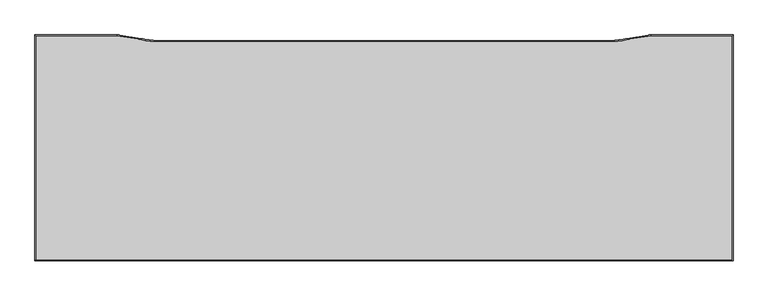
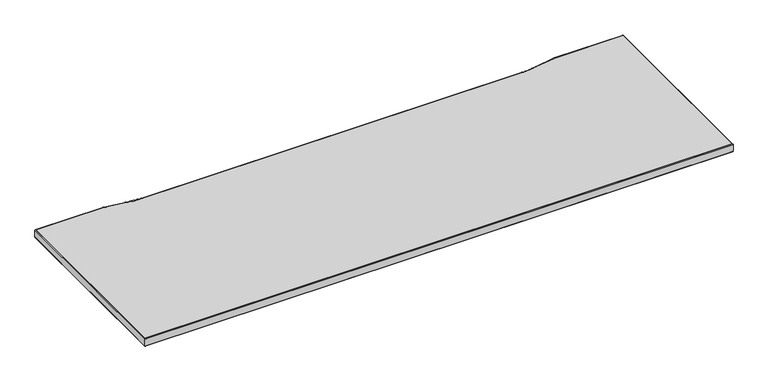
"""IFC4 building model written with IfcOpenShell, lengths in millimetres: furniture geometry."""

from ifc_helpers import new_model, si_unit, frame, origin, place, context, project, spatial, polyline, circle_curve, ellipse_curve, outline, extrude, source, transform, mapped, element, save
from ifc_brep_helpers import plane_surface, cylinder_surface, advanced_brep


def furniture_690a75ed(model_context):
    return source(origin(), model_context, "Body", "SolidModel", [
        advanced_brep(
        [(-397.0, 297.0, 723.9), (-397.0, 297.0, 698.5), (-185.0, 297.0, 698.5), (-185.0, 297.0, 723.9), (1424.1518, 297.0, 723.9), (1424.1518, 297.0, 698.5), (1424.1518, -289.8388, 698.5), (1424.1518, -289.8388, 723.9), (-397.0, -289.8388, 698.5), (-397.0, -289.8388, 723.9), (-398.6002, 298.6002, 700.1002), (-398.6002, 298.6002, 722.2998), (-184.8747968, 298.6002, 722.2998), (-184.8747968, 298.6002, 700.1002), (1425.752, 298.6002, 700.1002), (1425.752, 298.6002, 722.2998), (1425.752, -291.439, 722.2998), (1425.752, -291.439, 700.1002), (-398.6002, -291.439, 722.2998), (-398.6002, -291.439, 700.1002), (-120.4953882, 288.4637705, 722.2998), (-120.4953882, 288.4637705, 700.1002), (-109.4916017, 286.3222513, 722.2998), (-109.4916017, 286.3222513, 700.1002), (-98.5309628, 284.8095704, 722.2998), (-98.5309628, 284.8095704, 700.1002), (-87.5037923, 283.9011003, 722.2998), (-87.5037923, 283.9011003, 700.1002), (-76.4433721, 283.5995828, 722.2998), (-76.4433721, 283.5995828, 700.1002), (1103.6391279, 283.6001866, 722.2998), (1103.6391279, 283.6001866, 700.1002), (1114.7433713, 283.9059281, 722.2998), (1114.7433713, 283.9059281, 700.1002), (1125.7701443, 284.8192116, 722.2998), (1125.7701443, 284.8192116, 700.1002), (1136.7301218, 286.3366767, 722.2998), (1136.7301218, 286.3366767, 700.1002), (1147.5901026, 288.4537198, 722.2998), (1147.5901026, 288.4537198, 700.1002), (1212.0265967, 298.6002, 722.2998), (1212.0265967, 298.6002, 700.1002), (-120.7442709, 286.8830436, 698.5), (-120.7442709, 286.8830436, 723.9), (-109.7974382, 284.7515496, 698.5), (-109.7974382, 284.7515496, 723.9), (-98.7500792, 283.2244433, 698.5), (-98.7500792, 283.2244433, 723.9), (-87.6355272, 282.306332, 698.5), (-87.6355272, 282.306332, 723.9), (-76.4873279, 281.9999866, 698.5), (-76.4873279, 281.9999866, 723.9), (1103.6391279, 281.9999866, 698.5), (1103.6391279, 281.9999866, 723.9), (1114.7873272, 282.306332, 698.5), (1114.7873272, 282.306332, 723.9), (1125.9018792, 283.2244433, 698.5), (1125.9018792, 283.2244433, 723.9), (1136.9492382, 284.7515496, 698.5), (1136.9492382, 284.7515496, 723.9), (1147.8959392, 286.883018, 698.5), (1147.8959392, 286.883018, 723.9), (1212.1518, 297.0, 698.5), (1212.1518, 297.0, 723.9)],
        [
            (0, 1),
            (1, 2),
            (2, 3),
            (3, 0),
            (4, 5),
            (5, 6),
            (6, 7),
            (7, 4),
            (6, 8),
            (8, 9),
            (9, 7),
            (8, 1),
            (0, 9),
            (10, 11),
            (11, 12),
            (12, 13),
            (13, 10),
            (14, 15),
            (15, 16),
            (16, 17),
            (17, 14),
            (16, 18),
            (18, 19),
            (19, 17),
            (18, 11),
            (10, 19),
            (12, 20),
            (20, 21),
            (21, 13),
            (20, 22),
            (22, 23),
            (23, 21),
            (22, 24),
            (24, 25),
            (25, 23),
            (24, 26),
            (26, 27),
            (27, 25),
            (26, 28),
            (28, 29),
            (29, 27),
            (28, 30),
            (30, 31),
            (31, 29),
            (30, 32),
            (32, 33),
            (33, 31),
            (32, 34),
            (34, 35),
            (35, 33),
            (34, 36),
            (36, 37),
            (37, 35),
            (36, 38),
            (38, 39),
            (39, 37),
            (38, 40),
            (40, 41),
            (41, 39),
            (40, 15),
            (14, 41),
            (11, 0, ellipse_curve(frame((-397.0, 297.0, 722.2998), z_axis=(0.7071067811865475, 0.7071067811865475, 0.0), x_axis=(-0.7071067811865476, 0.7071067811865474, 0.0)), 2.2630245, 1.6002)),
            (3, 12, ellipse_curve(frame((-185.0, 297.0, 722.2998), z_axis=(-0.9969530599780059, 0.07800382170439381, 0.0), x_axis=(-0.07800382170439082, -0.9969530599780061, 0.0)), 1.6050906, 1.6002)),
            (1, 10, ellipse_curve(frame((-397.0, 297.0, 700.1002), z_axis=(0.7071067811865475, 0.7071067811865475, 0.0), x_axis=(-0.7071067811865476, 0.7071067811865474, 0.0)), 2.2630245, 1.6002)),
            (13, 2, ellipse_curve(frame((-185.0, 297.0, 700.1002), z_axis=(-0.9969530599780059, 0.07800382170439381, 0.0), x_axis=(-0.07800382170439082, -0.9969530599780061, 0.0)), 1.6050906, 1.6002)),
            (2, 42),
            (42, 43),
            (43, 3),
            (43, 20, circle_curve(frame((-120.7442709, 286.8830436, 722.2998), z_axis=(-0.9878308075990183, 0.15553229747634834, 0.0), x_axis=(-0.15553229747634834, -0.9878308075990183, 0.0)), 1.6002)),
            (21, 42, circle_curve(frame((-120.7442709, 286.8830436, 700.1002), z_axis=(-0.9878308075990183, 0.15553229747634834, 0.0), x_axis=(-0.15553229747634834, -0.9878308075990183, 0.0)), 1.6002)),
            (42, 44),
            (44, 45),
            (45, 43),
            (45, 22, circle_curve(frame((-109.7974382, 284.7515496, 722.2998), z_axis=(-0.9815659097985474, 0.19112395119751474, 0.0), x_axis=(-0.19112395119751474, -0.9815659097985474, 0.0)), 1.6002)),
            (23, 44, circle_curve(frame((-109.7974382, 284.7515496, 700.1002), z_axis=(-0.9815659097985474, 0.19112395119751474, 0.0), x_axis=(-0.19112395119751474, -0.9815659097985474, 0.0)), 1.6002)),
            (44, 46),
            (46, 47),
            (47, 45),
            (47, 24, circle_curve(frame((-98.7500792, 283.2244433, 722.2998), z_axis=(-0.9905806378079297, 0.1369306393764197, 0.0), x_axis=(-0.1369306393764197, -0.9905806378079297, 0.0)), 1.6002)),
            (25, 46, circle_curve(frame((-98.7500792, 283.2244433, 700.1002), z_axis=(-0.9905806378079297, 0.1369306393764197, 0.0), x_axis=(-0.1369306393764197, -0.9905806378079297, 0.0)), 1.6002)),
            (46, 48),
            (48, 49),
            (49, 47),
            (49, 26, circle_curve(frame((-87.6355272, 282.306332, 722.2998), z_axis=(-0.9966056147841567, 0.08232404618757087, 0.0), x_axis=(-0.08232404618757087, -0.9966056147841567, 0.0)), 1.6002)),
            (27, 48, circle_curve(frame((-87.6355272, 282.306332, 700.1002), z_axis=(-0.9966056147841567, 0.08232404618757087, 0.0), x_axis=(-0.08232404618757087, -0.9966056147841567, 0.0)), 1.6002)),
            (48, 50),
            (50, 51),
            (51, 49),
            (51, 28, circle_curve(frame((-76.4873279, 281.9999866, 722.2998), z_axis=(-0.9996226562599152, 0.027468984179824157, 0.0), x_axis=(-0.027468984179824157, -0.9996226562599152, 0.0)), 1.6002)),
            (29, 50, circle_curve(frame((-76.4873279, 281.9999866, 700.1002), z_axis=(-0.9996226562599152, 0.027468984179824157, 0.0), x_axis=(-0.027468984179824157, -0.9996226562599152, 0.0)), 1.6002)),
            (50, 52),
            (52, 53),
            (53, 51),
            (53, 30, circle_curve(frame((1103.6391279, 281.9999866, 722.2998), z_axis=(-1.0, 0.0, 0.0), x_axis=(0.0, -1.0, 0.0)), 1.6002)),
            (31, 52, circle_curve(frame((1103.6391279, 281.9999866, 700.1002), z_axis=(-1.0, 0.0, 0.0), x_axis=(0.0, -1.0, 0.0)), 1.6002)),
            (52, 54),
            (54, 55),
            (55, 53),
            (55, 32, circle_curve(frame((1114.7873272, 282.306332, 722.2998), z_axis=(-0.999622656259844, -0.02746898418241544, 0.0), x_axis=(0.02746898418241544, -0.999622656259844, 0.0)), 1.6002)),
            (33, 54, circle_curve(frame((1114.7873272, 282.306332, 700.1002), z_axis=(-0.999622656259844, -0.02746898418241544, 0.0), x_axis=(0.02746898418241544, -0.999622656259844, 0.0)), 1.6002)),
            (54, 56),
            (56, 57),
            (57, 55),
            (57, 34, circle_curve(frame((1125.9018792, 283.2244433, 722.2998), z_axis=(-0.9966056147841568, -0.08232404618756908, 0.0), x_axis=(0.08232404618756908, -0.9966056147841568, 0.0)), 1.6002)),
            (35, 56, circle_curve(frame((1125.9018792, 283.2244433, 700.1002), z_axis=(-0.9966056147841568, -0.08232404618756908, 0.0), x_axis=(0.08232404618756908, -0.9966056147841568, 0.0)), 1.6002)),
            (56, 58),
            (58, 59),
            (59, 57),
            (59, 36, circle_curve(frame((1136.9492382, 284.7515496, 722.2998), z_axis=(-0.9905806378079125, -0.13693063937654498, 0.0), x_axis=(0.13693063937654498, -0.9905806378079125, 0.0)), 1.6002)),
            (37, 58, circle_curve(frame((1136.9492382, 284.7515496, 700.1002), z_axis=(-0.9905806378079125, -0.13693063937654498, 0.0), x_axis=(0.13693063937654498, -0.9905806378079125, 0.0)), 1.6002)),
            (58, 60),
            (60, 61),
            (61, 59),
            (61, 38, circle_curve(frame((1147.8959392, 286.883018, 722.2998), z_axis=(-0.9815659097983596, -0.1911239511984802, 0.0), x_axis=(0.1911239511984802, -0.9815659097983596, 0.0)), 1.6002)),
            (39, 60, circle_curve(frame((1147.8959392, 286.883018, 700.1002), z_axis=(-0.9815659097983596, -0.1911239511984802, 0.0), x_axis=(0.1911239511984802, -0.9815659097983596, 0.0)), 1.6002)),
            (60, 62),
            (62, 63),
            (63, 61),
            (63, 40, ellipse_curve(frame((1212.1518, 297.0, 722.2998), z_axis=(-0.9969530570698523, -0.07800385887298066, 0.0), x_axis=(0.07800385887298084, -0.9969530570698523, 0.0)), 1.6050906, 1.6002)),
            (41, 62, ellipse_curve(frame((1212.1518, 297.0, 700.1002), z_axis=(-0.9969530570698523, -0.07800385887298066, 0.0), x_axis=(0.07800385887298084, -0.9969530570698523, 0.0)), 1.6050906, 1.6002)),
            (62, 5),
            (4, 63),
            (4, 15, ellipse_curve(frame((1424.1518, 297.0, 722.2998), z_axis=(-0.7071067811865475, 0.7071067811865475, 0.0), x_axis=(-0.7071067811865476, -0.7071067811865474, 0.0)), 2.2630245, 1.6002)),
            (14, 5, ellipse_curve(frame((1424.1518, 297.0, 700.1002), z_axis=(-0.7071067811865475, 0.7071067811865475, 0.0), x_axis=(-0.7071067811865476, -0.7071067811865474, 0.0)), 2.2630245, 1.6002)),
            (7, 16, ellipse_curve(frame((1424.1518, -289.8388, 722.2998), z_axis=(0.7071067811865475, 0.7071067811865475, 0.0), x_axis=(-0.7071067811865474, 0.7071067811865476, 0.0)), 2.2630245, 1.6002)),
            (17, 6, ellipse_curve(frame((1424.1518, -289.8388, 700.1002), z_axis=(0.7071067811865475, 0.7071067811865475, 0.0), x_axis=(-0.7071067811865474, 0.7071067811865476, 0.0)), 2.2630245, 1.6002)),
            (9, 18, ellipse_curve(frame((-397.0, -289.8388, 722.2998), z_axis=(0.7071067811865475, -0.7071067811865475, 0.0), x_axis=(0.7071067811865477, 0.7071067811865474, 0.0)), 2.2630245, 1.6002)),
            (19, 8, ellipse_curve(frame((-397.0, -289.8388, 700.1002), z_axis=(0.7071067811865475, -0.7071067811865475, 0.0), x_axis=(0.7071067811865476, 0.7071067811865474, 0.0)), 2.2630245, 1.6002)),
        ],
        [
            plane_surface(frame((-397.0, 297.0, 698.5), z_axis=(0.0, -1.0, 0.0), x_axis=(1.0, 0.0, 0.0))),
            plane_surface(frame((1424.1518, 297.0, 698.5), z_axis=(-1.0, 0.0, 0.0), x_axis=(0.0, -1.0, 0.0))),
            plane_surface(frame((1424.1518, -289.8388, 698.5), z_axis=(0.0, 1.0, 0.0), x_axis=(-1.0, 0.0, 0.0))),
            plane_surface(frame((-397.0, -289.8388, 698.5), z_axis=(1.0, 0.0, 0.0), x_axis=(0.0, 1.0, 0.0))),
            plane_surface(frame((-398.6002, 298.6002, 722.2998), z_axis=(0.0, 1.0, 0.0), x_axis=(1.0, 0.0, 0.0))),
            plane_surface(frame((1425.752, 298.6002, 722.2998), z_axis=(1.0, 0.0, 0.0), x_axis=(0.0, -1.0, 0.0))),
            plane_surface(frame((1425.752, -291.439, 722.2998), z_axis=(0.0, -1.0, 0.0), x_axis=(-1.0, 0.0, 0.0))),
            plane_surface(frame((-398.6002, -291.439, 722.2998), z_axis=(-1.0, 0.0, 0.0), x_axis=(0.0, 1.0, 0.0))),
            plane_surface(frame((-184.8747968, 298.6002, 722.2998), z_axis=(0.15553229747634836, 0.9878308075990183, 0.0), x_axis=(0.9878308075990183, -0.15553229747634836, 0.0))),
            plane_surface(frame((-120.4952255, 288.4648034, 722.2998), z_axis=(0.1911239511975167, 0.981565909798547, 0.0), x_axis=(0.981565909798547, -0.1911239511975167, 0.0))),
            plane_surface(frame((-109.4911395, 286.3246253, 722.2998), z_axis=(0.13693063937642, 0.9905806378079298, 0.0), x_axis=(0.9905806378079298, -0.13693063937642, 0.0))),
            plane_surface(frame((-98.5306316, 284.8119661, 722.2998), z_axis=(0.08232404618757205, 0.9966056147841565, 0.0), x_axis=(0.9966056147841565, -0.08232404618757205, 0.0))),
            plane_surface(frame((-87.5035932, 283.9035105, 722.2998), z_axis=(0.027468984179823012, 0.9996226562599153, 0.0), x_axis=(0.9996226562599153, -0.027468984179823012, 0.0))),
            plane_surface(frame((-76.4433555, 283.6001866, 722.2998), z_axis=(0.0, 1.0, 0.0), x_axis=(1.0, 0.0, 0.0))),
            plane_surface(frame((1103.6391279, 283.6007907, 722.2998), z_axis=(-0.027468984182415966, 0.999622656259844, 0.0), x_axis=(0.999622656259844, 0.027468984182415966, 0.0))),
            plane_surface(frame((1114.7433049, 283.9083457, 722.2998), z_axis=(-0.08232404618756704, 0.996605614784157, 0.0), x_axis=(0.996605614784157, 0.08232404618756704, 0.0))),
            plane_surface(frame((1125.7699452, 284.8216219, 722.2998), z_axis=(-0.13693063937654337, 0.9905806378079127, 0.0), x_axis=(0.9905806378079127, 0.13693063937654337, 0.0))),
            plane_surface(frame((1136.7297907, 286.3390724, 722.2998), z_axis=(-0.19112395119847891, 0.9815659097983597, 0.0), x_axis=(0.9815659097983597, 0.19112395119847891, 0.0))),
            plane_surface(frame((1147.5899028, 288.4547461, 722.2998), z_axis=(-0.15553237113332666, 0.9878307960018483, 0.0), x_axis=(0.9878307960018483, 0.15553237113332666, 0.0))),
            plane_surface(frame((1212.0265967, 298.6002, 722.2998), z_axis=(0.0, 1.0, 0.0), x_axis=(1.0, 0.0, 0.0))),
            cylinder_surface(frame((-397.0, 297.0, 722.2998), z_axis=(-1.0, 0.0, 0.0), x_axis=(0.0, -1.0, 0.0)), 1.6002),
            cylinder_surface(frame((-397.0, 297.0, 700.1002), z_axis=(-1.0, 0.0, 0.0), x_axis=(0.0, -1.0, 0.0)), 1.6002),
            plane_surface(frame((-185.0, 297.0, 698.5), z_axis=(-0.15553229747634817, -0.9878308075990183, 0.0), x_axis=(0.9878308075990183, -0.15553229747634817, 0.0))),
            cylinder_surface(frame((-185.0, 297.0, 722.2998), z_axis=(-0.9878308075990183, 0.15553229747634834, 0.0), x_axis=(-0.15553229747634834, -0.9878308075990183, 0.0)), 1.6002),
            cylinder_surface(frame((-185.0, 297.0, 700.1002), z_axis=(-0.9878308075990183, 0.15553229747634834, 0.0), x_axis=(-0.15553229747634834, -0.9878308075990183, 0.0)), 1.6002),
            plane_surface(frame((-120.7442709, 286.8830436, 698.5), z_axis=(-0.19112395119751413, -0.9815659097985475, 0.0), x_axis=(0.9815659097985475, -0.19112395119751413, 0.0))),
            cylinder_surface(frame((-120.7442709, 286.8830436, 722.2998), z_axis=(-0.9815659097985474, 0.19112395119751474, 0.0), x_axis=(-0.19112395119751474, -0.9815659097985474, 0.0)), 1.6002),
            cylinder_surface(frame((-120.7442709, 286.8830436, 700.1002), z_axis=(-0.9815659097985474, 0.19112395119751474, 0.0), x_axis=(-0.19112395119751474, -0.9815659097985474, 0.0)), 1.6002),
            plane_surface(frame((-109.7974382, 284.7515496, 698.5), z_axis=(-0.13693063937642036, -0.9905806378079297, 0.0), x_axis=(0.9905806378079297, -0.13693063937642036, 0.0))),
            cylinder_surface(frame((-109.7974382, 284.7515496, 722.2998), z_axis=(-0.9905806378079297, 0.1369306393764197, 0.0), x_axis=(-0.1369306393764197, -0.9905806378079297, 0.0)), 1.6002),
            cylinder_surface(frame((-109.7974382, 284.7515496, 700.1002), z_axis=(-0.9905806378079297, 0.1369306393764197, 0.0), x_axis=(-0.1369306393764197, -0.9905806378079297, 0.0)), 1.6002),
            plane_surface(frame((-98.7500792, 283.2244433, 698.5), z_axis=(-0.08232404618757161, -0.9966056147841565, 0.0), x_axis=(0.9966056147841565, -0.08232404618757161, 0.0))),
            cylinder_surface(frame((-98.7500792, 283.2244433, 722.2998), z_axis=(-0.9966056147841567, 0.08232404618757087, 0.0), x_axis=(-0.08232404618757087, -0.9966056147841567, 0.0)), 1.6002),
            cylinder_surface(frame((-98.7500792, 283.2244433, 700.1002), z_axis=(-0.9966056147841567, 0.08232404618757087, 0.0), x_axis=(-0.08232404618757087, -0.9966056147841567, 0.0)), 1.6002),
            plane_surface(frame((-87.6355272, 282.306332, 698.5), z_axis=(-0.027468984179824508, -0.9996226562599152, 0.0), x_axis=(0.9996226562599152, -0.027468984179824508, 0.0))),
            cylinder_surface(frame((-87.6355272, 282.306332, 722.2998), z_axis=(-0.9996226562599152, 0.027468984179824157, 0.0), x_axis=(-0.027468984179824157, -0.9996226562599152, 0.0)), 1.6002),
            cylinder_surface(frame((-87.6355272, 282.306332, 700.1002), z_axis=(-0.9996226562599152, 0.027468984179824157, 0.0), x_axis=(-0.027468984179824157, -0.9996226562599152, 0.0)), 1.6002),
            plane_surface(frame((-76.4873279, 281.9999866, 698.5), z_axis=(0.0, -1.0, 0.0), x_axis=(1.0, 0.0, 0.0))),
            cylinder_surface(frame((-76.4873279, 281.9999866, 722.2998), z_axis=(-1.0, 0.0, 0.0), x_axis=(0.0, -1.0, 0.0)), 1.6002),
            cylinder_surface(frame((-76.4873279, 281.9999866, 700.1002), z_axis=(-1.0, 0.0, 0.0), x_axis=(0.0, -1.0, 0.0)), 1.6002),
            plane_surface(frame((1103.6391279, 281.9999866, 698.5), z_axis=(0.027468984182414797, -0.999622656259844, 0.0), x_axis=(0.999622656259844, 0.027468984182414797, 0.0))),
            cylinder_surface(frame((1103.6391279, 281.9999866, 722.2998), z_axis=(-0.999622656259844, -0.02746898418241544, 0.0), x_axis=(0.02746898418241544, -0.999622656259844, 0.0)), 1.6002),
            cylinder_surface(frame((1103.6391279, 281.9999866, 700.1002), z_axis=(-0.999622656259844, -0.02746898418241544, 0.0), x_axis=(0.02746898418241544, -0.999622656259844, 0.0)), 1.6002),
            plane_surface(frame((1114.7873272, 282.306332, 698.5), z_axis=(0.0823240461875691, -0.9966056147841568, 0.0), x_axis=(0.9966056147841568, 0.0823240461875691, 0.0))),
            cylinder_surface(frame((1114.7873272, 282.306332, 722.2998), z_axis=(-0.9966056147841568, -0.08232404618756908, 0.0), x_axis=(0.08232404618756908, -0.9966056147841568, 0.0)), 1.6002),
            cylinder_surface(frame((1114.7873272, 282.306332, 700.1002), z_axis=(-0.9966056147841568, -0.08232404618756908, 0.0), x_axis=(0.08232404618756908, -0.9966056147841568, 0.0)), 1.6002),
            plane_surface(frame((1125.9018792, 283.2244433, 698.5), z_axis=(0.13693063937654604, -0.9905806378079124, 0.0), x_axis=(0.9905806378079124, 0.13693063937654604, 0.0))),
            cylinder_surface(frame((1125.9018792, 283.2244433, 722.2998), z_axis=(-0.9905806378079125, -0.13693063937654498, 0.0), x_axis=(0.13693063937654498, -0.9905806378079125, 0.0)), 1.6002),
            cylinder_surface(frame((1125.9018792, 283.2244433, 700.1002), z_axis=(-0.9905806378079125, -0.13693063937654498, 0.0), x_axis=(0.13693063937654498, -0.9905806378079125, 0.0)), 1.6002),
            plane_surface(frame((1136.9492382, 284.7515496, 698.5), z_axis=(0.19112395119847797, -0.9815659097983599, 0.0), x_axis=(0.9815659097983599, 0.19112395119847797, 0.0))),
            cylinder_surface(frame((1136.9492382, 284.7515496, 722.2998), z_axis=(-0.9815659097983596, -0.1911239511984802, 0.0), x_axis=(0.1911239511984802, -0.9815659097983596, 0.0)), 1.6002),
            cylinder_surface(frame((1136.9492382, 284.7515496, 700.1002), z_axis=(-0.9815659097983596, -0.1911239511984802, 0.0), x_axis=(0.1911239511984802, -0.9815659097983596, 0.0)), 1.6002),
            plane_surface(frame((1147.8959392, 286.883018, 698.5), z_axis=(0.15553237113332685, -0.9878307960018483, 0.0), x_axis=(0.9878307960018483, 0.15553237113332685, 0.0))),
            cylinder_surface(frame((1147.8959392, 286.883018, 722.2998), z_axis=(-0.9878307960018482, -0.1555323711333268, 0.0), x_axis=(0.1555323711333268, -0.9878307960018482, 0.0)), 1.6002),
            cylinder_surface(frame((1147.8959392, 286.883018, 700.1002), z_axis=(-0.9878307960018482, -0.1555323711333268, 0.0), x_axis=(0.1555323711333268, -0.9878307960018482, 0.0)), 1.6002),
            plane_surface(frame((1212.1518, 297.0, 698.5), z_axis=(0.0, -1.0, 0.0), x_axis=(1.0, 0.0, 0.0))),
            cylinder_surface(frame((1212.1518, 297.0, 722.2998), z_axis=(-1.0, 0.0, 0.0), x_axis=(0.0, -1.0, 0.0)), 1.6002),
            cylinder_surface(frame((1212.1518, 297.0, 700.1002), z_axis=(-1.0, 0.0, 0.0), x_axis=(0.0, -1.0, 0.0)), 1.6002),
            cylinder_surface(frame((1424.1518, 297.0, 722.2998), z_axis=(0.0, 1.0, 0.0), x_axis=(-1.0, 0.0, 0.0)), 1.6002),
            cylinder_surface(frame((1424.1518, 297.0, 700.1002), z_axis=(0.0, 1.0, 0.0), x_axis=(-1.0, 0.0, 0.0)), 1.6002),
            cylinder_surface(frame((1424.1518, -289.8388, 722.2998), z_axis=(1.0, 0.0, 0.0), x_axis=(0.0, 1.0, 0.0)), 1.6002),
            cylinder_surface(frame((1424.1518, -289.8388, 700.1002), z_axis=(1.0, 0.0, 0.0), x_axis=(0.0, 1.0, 0.0)), 1.6002),
            cylinder_surface(frame((-397.0, -289.8388, 722.2998), z_axis=(0.0, -1.0, 0.0), x_axis=(1.0, 0.0, 0.0)), 1.6002),
            cylinder_surface(frame((-397.0, -289.8388, 700.1002), z_axis=(0.0, -1.0, 0.0), x_axis=(1.0, 0.0, 0.0)), 1.6002),
        ],
        [
            (0, [[1, 2, 3, 4]]),
            (1, [[5, 6, 7, 8]]),
            (2, [[-7, 9, 10, 11]]),
            (3, [[-10, 12, -1, 13]]),
            (4, [[14, 15, 16, 17]]),
            (5, [[18, 19, 20, 21]]),
            (6, [[-20, 22, 23, 24]]),
            (7, [[-23, 25, -14, 26]]),
            (8, [[-16, 27, 28, 29]]),
            (9, [[-28, 30, 31, 32]]),
            (10, [[-31, 33, 34, 35]]),
            (11, [[-34, 36, 37, 38]]),
            (12, [[-37, 39, 40, 41]]),
            (13, [[-40, 42, 43, 44]]),
            (14, [[-43, 45, 46, 47]]),
            (15, [[-46, 48, 49, 50]]),
            (16, [[-49, 51, 52, 53]]),
            (17, [[-52, 54, 55, 56]]),
            (18, [[-55, 57, 58, 59]]),
            (19, [[-58, 60, -18, 61]]),
            (20, [[62, -4, 63, -15]]),
            (21, [[64, -17, 65, -2]]),
            (22, [[-3, 66, 67, 68]]),
            (23, [[-63, -68, 69, -27]]),
            (24, [[-65, -29, 70, -66]]),
            (25, [[-67, 71, 72, 73]]),
            (26, [[-69, -73, 74, -30]]),
            (27, [[-70, -32, 75, -71]]),
            (28, [[-72, 76, 77, 78]]),
            (29, [[-74, -78, 79, -33]]),
            (30, [[-75, -35, 80, -76]]),
            (31, [[-77, 81, 82, 83]]),
            (32, [[-79, -83, 84, -36]]),
            (33, [[-80, -38, 85, -81]]),
            (34, [[-82, 86, 87, 88]]),
            (35, [[-84, -88, 89, -39]]),
            (36, [[-85, -41, 90, -86]]),
            (37, [[-87, 91, 92, 93]]),
            (38, [[-89, -93, 94, -42]]),
            (39, [[-90, -44, 95, -91]]),
            (40, [[-92, 96, 97, 98]]),
            (41, [[-94, -98, 99, -45]]),
            (42, [[-95, -47, 100, -96]]),
            (43, [[-97, 101, 102, 103]]),
            (44, [[-99, -103, 104, -48]]),
            (45, [[-100, -50, 105, -101]]),
            (46, [[-102, 106, 107, 108]]),
            (47, [[-104, -108, 109, -51]]),
            (48, [[-105, -53, 110, -106]]),
            (49, [[-107, 111, 112, 113]]),
            (50, [[-109, -113, 114, -54]]),
            (51, [[-110, -56, 115, -111]]),
            (52, [[-112, 116, 117, 118]]),
            (53, [[-114, -118, 119, -57]]),
            (54, [[-115, -59, 120, -116]]),
            (55, [[-117, 121, -5, 122]]),
            (56, [[-119, -122, 123, -60]]),
            (57, [[-120, -61, 124, -121]]),
            (58, [[-123, -8, 125, -19]]),
            (59, [[-124, -21, 126, -6]]),
            (60, [[-125, -11, 127, -22]]),
            (61, [[-126, -24, 128, -9]]),
            (62, [[-127, -13, -62, -25]]),
            (63, [[-128, -26, -64, -12]]),
        ],
    ),
        extrude(outline(polyline([(-185.0, 297.0), (-120.7442709, 286.8830436), (-109.7974382, 284.7515496), (-98.7500792, 283.2244433), (-87.6355272, 282.306332), (-76.4873279, 281.9999866), (1103.6391279, 281.9999866), (1114.7873272, 282.306332), (1125.9018792, 283.2244433), (1136.9492382, 284.7515496), (1147.8959392, 286.883018), (1212.1518, 297.0), (1424.1518, 297.0), (1424.1518, -289.8388), (-397.0, -289.8388), (-397.0, 297.0), (-185.0, 297.0)])), frame((0.0, 0.0, 698.5), z_axis=(0.0, 0.0, 1.0), x_axis=(1.0, 0.0, 0.0)), (0.0, 0.0, 1.0), 25.4),
    ])


if __name__ == "__main__":
    model = new_model("IFC4")
    model_context = context("Model", 3, world=origin())
    ifc_project = project(units=[si_unit("LENGTHUNIT", "METRE", prefix="MILLI")], contexts=[model_context])
    site = spatial("IfcSite", under=ifc_project)
    building = spatial("IfcBuilding", under=site)
    placement = place(None, origin())
    furniture_shape = furniture_690a75ed(model_context)
    element("IfcFurniture", 1, at=placement, inside=building, context=model_context, shape_type="MappedRepresentation", body=[
        mapped(furniture_shape, transform((0.0, 0.0, 0.0), x_axis=(1.0, 0.0, 0.0), y_axis=(0.0, 1.0, 0.0), z_axis=(0.0, 0.0, 1.0))),
    ])
    save(model, "model.ifc")
